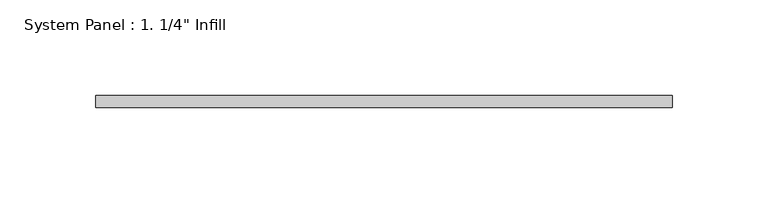
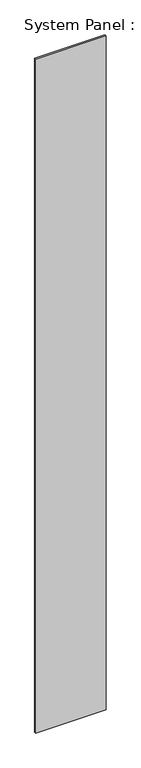
"""IFC4 building model written with IfcOpenShell, lengths in millimetres: plate geometry."""

from ifc_helpers import new_model, si_unit, origin, origin_with_axes, place, context, project, spatial, polyline, outline, extrude, source, transform, mapped, element, save


def plate_470d6e94(model_context):
    return source(origin(), model_context, "Body", "SweptSolid", [
        extrude(outline(polyline([(150.8125, -6.35), (-150.8125, -6.35), (-150.8125, 0.0), (150.8125, 0.0), (150.8125, -6.35)])), origin_with_axes(), (0.0, 0.0, 1.0), 3048.0),
    ])


if __name__ == "__main__":
    model = new_model("IFC4")
    model_context = context("Model", 3, world=origin())
    ifc_project = project(units=[si_unit("LENGTHUNIT", "METRE", prefix="MILLI")], contexts=[model_context])
    site = spatial("IfcSite", under=ifc_project)
    building = spatial("IfcBuilding", under=site)
    placement = place(None, origin())
    plate_shape = plate_470d6e94(model_context)
    element("IfcPlate", 1, ObjectType="System Panel : 1. 1/4\" Infill", at=placement, inside=building, context=model_context, shape_type="MappedRepresentation", body=[
        mapped(plate_shape, transform((0.0, 0.0, 0.0), x_axis=(1.0, 0.0, 0.0), y_axis=(0.0, 1.0, 0.0), z_axis=(0.0, 0.0, 1.0))),
    ])
    save(model, "model.ifc")
